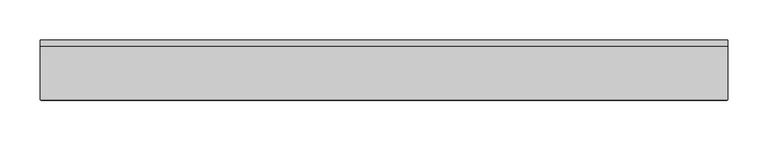
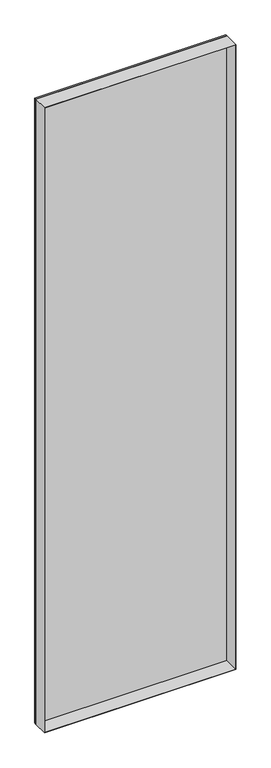
"""IFC4 building model written with IfcOpenShell, lengths in millimetres: plate geometry."""

from ifc_helpers import new_model, si_unit, frame, origin, origin_with_axes, place, context, project, spatial, polyline, outline, extrude, source, transform, mapped, element, save


def plate_e73e24a4(model_context):
    return source(origin(), model_context, "Body", "SweptSolid", [
        extrude(outline(polyline([(2936.0, -425.3847577), (0.0, -425.3847577), (0.0, 425.3847577), (2936.0, 425.3847577), (2936.0, -425.3847577)]), holes=[polyline([(2935.0, -424.3847577), (2935.0, 424.3847577), (1.0, 424.3847577), (1.0, -424.3847577), (2935.0, -424.3847577)])]), frame((0.0, -37.2, 0.0), z_axis=(0.0, 1.0, 0.0), x_axis=(0.0, 0.0, 1.0)), (0.0, 0.0, 1.0), 66.4),
        extrude(outline(polyline([(425.3847577, 29.2), (-425.3847577, 29.2), (-425.3847577, 37.2), (425.3847577, 37.2), (425.3847577, 29.2)])), origin_with_axes(), (0.0, 0.0, 1.0), 2936.0),
    ])


if __name__ == "__main__":
    model = new_model("IFC4")
    model_context = context("Model", 3, world=origin())
    ifc_project = project(units=[si_unit("LENGTHUNIT", "METRE", prefix="MILLI")], contexts=[model_context])
    site = spatial("IfcSite", under=ifc_project)
    building = spatial("IfcBuilding", under=site)
    placement = place(None, origin())
    plate_shape = plate_e73e24a4(model_context)
    element("IfcPlate", 1, at=placement, inside=building, context=model_context, shape_type="MappedRepresentation", body=[
        mapped(plate_shape, transform((0.0, 0.0, 0.0), x_axis=(1.0, 0.0, 0.0), y_axis=(0.0, 1.0, 0.0), z_axis=(0.0, 0.0, 1.0))),
    ])
    save(model, "model.ifc")
